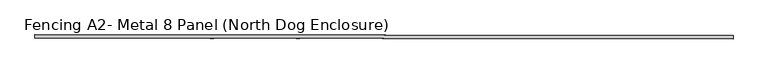
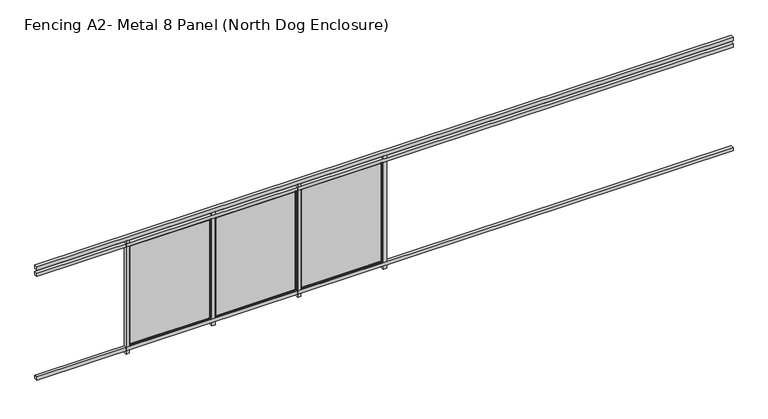
"""IFC4 building model written with IfcOpenShell, lengths in millimetres: railing geometry, Fencing A2- Metal 8 Panel (North Dog Enclosure)."""

from ifc_helpers import new_model, si_unit, frame, origin, place, context, project, spatial, polyline, ellipse_curve, outline, extrude, source, transform, mapped, element, save
from ifc_brep_helpers import plane_surface, cylinder_surface, advanced_brep


def fencing_a2_metal_8_panel_north_dog_enclosure_91e418e9(model_context):
    return source(origin(), model_context, "Body", "SolidModel", [
        extrude(outline(polyline([(18890.3978148, 2317.7393244), (18890.3375138, 2266.9393602), (8577.944779, 2279.1804809), (8578.0050801, 2329.9804451), (18890.3978148, 2317.7393244)])), frame((0.0, 0.0, 1016.0), z_axis=(0.0, 0.0, 1.0), x_axis=(1.0, 0.0, 0.0)), (0.0, 0.0, 1.0), 50.8),
        extrude(outline(polyline([(18890.3978148, 2317.7393244), (18890.3375138, 2266.9393602), (8577.944779, 2279.1804809), (8578.0050801, 2329.9804451), (18890.3978148, 2317.7393244)])), frame((0.0, 0.0, 914.4), z_axis=(0.0, 0.0, 1.0), x_axis=(1.0, 0.0, 0.0)), (0.0, 0.0, 1.0), 50.8),
        extrude(outline(polyline([(18890.3978148, 2317.7393244), (18890.3375138, 2266.9393602), (8577.944779, 2279.1804809), (8578.0050801, 2329.9804451), (18890.3978148, 2317.7393244)])), frame((0.0, 0.0, -711.2), z_axis=(0.0, 0.0, 1.0), x_axis=(1.0, 0.0, 0.0)), (0.0, 0.0, 1.0), 50.8),
        extrude(outline(polyline([(9949.6041138, 2328.3523157), (9949.5438127, 2277.5523515), (9898.7438485, 2277.6126526), (9898.8041496, 2328.4126168), (9949.6041138, 2328.3523157)])), frame((0.0, 0.0, -762.0), z_axis=(0.0, 0.0, 1.0), x_axis=(1.0, 0.0, 0.0)), (0.0, 0.0, 1.0), 1778.0),
        advanced_brep(
        [(11162.4438373, 2318.9751329, 908.05), (11165.6226039, 2322.1463618, 911.225), (11165.6226039, 2322.1463618, -657.225), (11162.4438373, 2318.9751329, -654.05), (9952.7734584, 2323.5860503, -657.225), (9955.9446873, 2320.4072837, -654.05), (9949.5984606, 2323.5898191, -660.4), (9949.5984606, 2323.5898191, 914.4), (11168.7976016, 2322.142593, 914.4), (11168.7976016, 2322.142593, -660.4), (9952.7734584, 2323.5860503, 911.225), (9955.9446873, 2320.4072837, 908.05), (11162.4325308, 2309.4501396, -654.05), (9955.9333808, 2310.8822904, -654.05), (11162.4325308, 2309.4501396, 908.05), (9955.9333808, 2310.8822904, 908.05), (11152.9075376, 2309.461446, -644.525), (11152.9075376, 2309.461446, 898.525), (9965.4583741, 2310.8709839, 898.525), (9965.4583741, 2310.8709839, -644.525), (11149.728771, 2306.2902171, 895.35), (11149.728771, 2306.2902171, -641.35), (9968.6296031, 2307.6922174, -641.35), (9968.6296031, 2307.6922174, 895.35), (11149.7250022, 2303.1152193, -641.35), (9968.6258343, 2304.5172196, -641.35), (11149.7250022, 2303.1152193, 895.35), (9968.6258343, 2304.5172196, 895.35), (11168.7749887, 2303.0926064, -660.4), (11168.7749887, 2303.0926064, 914.4), (9949.5758477, 2304.5398325, 914.4), (9949.5758477, 2304.5398325, -660.4)],
        [
            (0, 1, ellipse_curve(frame((11165.6188351, 2318.971364, 911.225), z_axis=(0.7071062830160321, -0.0008393564505200861, -0.7071067811865475), x_axis=(0.707106283016032, -0.000839356450520086, 0.7071067811865476)), 4.4901281, 3.175)),
            (1, 2),
            (2, 3, ellipse_curve(frame((11165.6188351, 2318.971364, -657.225), z_axis=(0.7071062830160321, -0.0008393564505200861, 0.7071067811865475), x_axis=(-0.707106283016032, 0.000839356450520086, 0.7071067811865476)), 4.4901281, 3.175)),
            (3, 0),
            (2, 4),
            (4, 5, ellipse_curve(frame((9952.7696895, 2320.4110525, -657.225), z_axis=(0.7071062830160321, -0.0008393564505200861, -0.7071067811865475), x_axis=(0.7071062830160322, -0.0008393564505200862, 0.7071067811865474)), 4.4901281, 3.175)),
            (5, 3),
            (6, 7),
            (7, 8),
            (8, 9),
            (9, 6),
            (1, 10),
            (10, 4),
            (10, 11, ellipse_curve(frame((9952.7696895, 2320.4110525, 911.225), z_axis=(-0.7071062830160321, 0.0008393564505200861, -0.7071067811865475), x_axis=(0.707106283016032, -0.000839356450520086, -0.7071067811865476)), 4.4901281, 3.175)),
            (11, 5),
            (12, 3),
            (5, 13),
            (13, 12),
            (14, 0),
            (12, 14),
            (11, 15),
            (15, 13),
            (15, 14),
            (16, 17),
            (17, 18),
            (18, 19),
            (19, 16),
            (20, 17, ellipse_curve(frame((11152.9037687, 2306.2864483, 898.525), z_axis=(0.7071062830160321, -0.0008393564505200861, -0.7071067811865475), x_axis=(0.707106283016032, -0.000839356450520086, 0.7071067811865476)), 4.4901281, 3.175)),
            (16, 21, ellipse_curve(frame((11152.9037687, 2306.2864483, -644.525), z_axis=(0.7071062830160321, -0.0008393564505200861, 0.7071067811865475), x_axis=(-0.707106283016032, 0.000839356450520086, 0.7071067811865476)), 4.4901281, 3.175)),
            (21, 20),
            (19, 22, ellipse_curve(frame((9965.4546053, 2307.6959862, -644.525), z_axis=(0.7071062830160321, -0.0008393564505200861, -0.7071067811865475), x_axis=(0.7071062830160322, -0.0008393564505200862, 0.7071067811865474)), 4.4901281, 3.175)),
            (22, 21),
            (18, 23, ellipse_curve(frame((9965.4546053, 2307.6959862, 898.525), z_axis=(-0.7071062830160321, 0.0008393564505200861, -0.7071067811865475), x_axis=(0.707106283016032, -0.000839356450520086, -0.7071067811865476)), 4.4901281, 3.175)),
            (23, 22),
            (24, 21),
            (22, 25),
            (25, 24),
            (26, 20),
            (24, 26),
            (23, 27),
            (27, 25),
            (28, 29),
            (29, 30),
            (30, 31),
            (31, 28),
            (27, 26),
            (8, 29),
            (28, 9),
            (31, 6),
            (30, 7),
            (0, 11),
            (20, 23),
        ],
        [
            cylinder_surface(frame((11165.6188351, 2318.971364, 914.4), z_axis=(0.0, 0.0, 1.0), x_axis=(0.9999992954805008, -0.0011870292759914025, 0.0)), 3.175),
            cylinder_surface(frame((11168.7938328, 2318.9675952, -657.225), z_axis=(0.9999992954805008, -0.0011870292759908474, 0.0), x_axis=(0.0, 0.0, -1.0)), 3.175),
            plane_surface(frame((11168.7976016, 2322.142593, 914.4), z_axis=(0.0011870292759914025, 0.9999992954805008, 0.0), x_axis=(0.0, 0.0, -1.0))),
            cylinder_surface(frame((9952.7696895, 2320.4110525, -660.4), z_axis=(0.0, 0.0, -1.0), x_axis=(-0.9999992954805008, 0.0011870292759902923, 0.0)), 3.175),
            plane_surface(frame((11162.4438373, 2318.9751329, -654.05), z_axis=(0.0, 0.0, 1.0), x_axis=(-0.9999992954805008, 0.0011870292759908522, 0.0))),
            plane_surface(frame((11162.4438373, 2318.9751329, 908.05), z_axis=(-0.9999992954805008, 0.0011870292759914025, 0.0), x_axis=(0.0, 0.0, -1.0))),
            plane_surface(frame((9955.9446873, 2320.4072837, -654.05), z_axis=(0.9999992954805008, -0.0011870292759902923, 0.0), x_axis=(0.0, 0.0, 1.0))),
            plane_surface(frame((11162.4325308, 2309.4501396, 908.05), z_axis=(0.0011870292759914025, 0.9999992954805008, 0.0), x_axis=(0.0, 0.0, -1.0))),
            cylinder_surface(frame((11152.9037687, 2306.2864483, 914.4), z_axis=(0.0, 0.0, 1.0), x_axis=(0.9999992954805008, -0.0011870292759914025, 0.0)), 3.175),
            cylinder_surface(frame((11168.7787575, 2306.2676042, -644.525), z_axis=(0.9999992954805008, -0.0011870292759908474, 0.0), x_axis=(0.0, 0.0, -1.0)), 3.175),
            cylinder_surface(frame((9965.4546053, 2307.6959862, -660.4), z_axis=(0.0, 0.0, -1.0), x_axis=(-0.9999992954805008, 0.0011870292759902923, 0.0)), 3.175),
            plane_surface(frame((11149.728771, 2306.2902171, -641.35), z_axis=(0.0, 0.0, 1.0), x_axis=(-0.9999992954805008, 0.0011870292759908546, 0.0))),
            plane_surface(frame((11149.728771, 2306.2902171, 895.35), z_axis=(-0.9999992954805008, 0.0011870292759914025, 0.0), x_axis=(0.0, 0.0, -1.0))),
            plane_surface(frame((9968.6296031, 2307.6922174, -641.35), z_axis=(0.9999992954805008, -0.0011870292759902923, 0.0), x_axis=(0.0, 0.0, 1.0))),
            plane_surface(frame((11149.7250022, 2303.1152193, 895.35), z_axis=(-0.0011870292759914025, -0.9999992954805008, 0.0), x_axis=(0.0, 0.0, -1.0))),
            plane_surface(frame((11168.7749887, 2303.0926064, 914.4), z_axis=(0.9999992954805008, -0.0011870292759914025, 0.0), x_axis=(0.0, 0.0, -1.0))),
            plane_surface(frame((11168.7749887, 2303.0926064, -660.4), z_axis=(0.0, 0.0, -1.0), x_axis=(-0.9999992954805008, 0.0011870292759908474, 0.0))),
            plane_surface(frame((9949.5758477, 2304.5398325, -660.4), z_axis=(-0.9999992954805008, 0.0011870292759902923, 0.0), x_axis=(0.0, 0.0, 1.0))),
            cylinder_surface(frame((9949.5946918, 2320.4148213, 911.225), z_axis=(-0.9999992954805008, 0.0011870292759908474, 0.0), x_axis=(0.0, 0.0, 1.0)), 3.175),
            plane_surface(frame((9955.9446873, 2320.4072837, 908.05), z_axis=(0.0, 0.0, -1.0), x_axis=(0.9999992954805008, -0.0011870292759908485, 0.0))),
            cylinder_surface(frame((9949.5796165, 2307.7148303, 898.525), z_axis=(-0.9999992954805008, 0.0011870292759908474, 0.0), x_axis=(0.0, 0.0, 1.0)), 3.175),
            plane_surface(frame((9968.6296031, 2307.6922174, 895.35), z_axis=(0.0, 0.0, -1.0), x_axis=(0.9999992954805008, -0.0011870292759908546, 0.0))),
            plane_surface(frame((9949.5758477, 2304.5398325, 914.4), z_axis=(0.0, 0.0, 1.0), x_axis=(0.9999992954805008, -0.0011870292759908474, 0.0))),
        ],
        [
            (0, [[1, 2, 3, 4]]),
            (1, [[-3, 5, 6, 7]]),
            (2, [[8, 9, 10, 11], [-2, 12, 13, -5]]),
            (3, [[-6, -13, 14, 15]]),
            (4, [[16, -7, 17, 18]]),
            (5, [[19, -4, -16, 20]]),
            (6, [[-17, -15, 21, 22]]),
            (7, [[-22, 23, -20, -18], [24, 25, 26, 27]]),
            (8, [[28, -24, 29, 30]]),
            (9, [[-29, -27, 31, 32]]),
            (10, [[-31, -26, 33, 34]]),
            (11, [[35, -32, 36, 37]]),
            (12, [[38, -30, -35, 39]]),
            (13, [[-36, -34, 40, 41]]),
            (14, [[42, 43, 44, 45], [-41, 46, -39, -37]]),
            (15, [[47, -42, 48, -10]]),
            (16, [[-48, -45, 49, -11]]),
            (17, [[-49, -44, 50, -8]]),
            (18, [[-14, -12, -1, 51]]),
            (19, [[-21, -51, -19, -23]]),
            (20, [[-33, -25, -28, 52]]),
            (21, [[-40, -52, -38, -46]]),
            (22, [[-50, -43, -47, -9]]),
        ],
    ),
        advanced_brep(
        [(11168.7712199, 2299.9176086, 914.4), (11168.748607, 2280.8676221, 914.4), (11168.748607, 2280.8676221, -660.4), (11168.7712199, 2299.9176086, -660.4), (9949.549466, 2282.3148482, -660.4), (9949.5720789, 2301.3648347, -660.4), (9949.549466, 2282.3148482, 914.4), (9952.7244637, 2282.3110793, -657.225), (9952.7244637, 2282.3110793, 911.225), (11165.5736092, 2280.8713909, 911.225), (11165.5736092, 2280.8713909, -657.225), (9949.5720789, 2301.3648347, 914.4), (11149.7212333, 2299.9402215, -641.35), (11149.7212333, 2299.9402215, 895.35), (9968.6220654, 2301.3422218, 895.35), (9968.6220654, 2301.3422218, -641.35), (11149.7174645, 2296.7652238, 895.35), (11149.7174645, 2296.7652238, -641.35), (9968.6182966, 2298.1672241, -641.35), (9968.6182966, 2298.1672241, 895.35), (11152.8886935, 2293.5864572, -644.525), (9965.43953, 2294.9959951, -644.525), (11152.8886935, 2293.5864572, 898.525), (9965.43953, 2294.9959951, 898.525), (11162.4136868, 2293.5751508, -654.05), (11162.4136868, 2293.5751508, 908.05), (9955.9145368, 2295.0073016, 908.05), (9955.9145368, 2295.0073016, -654.05), (11162.4023803, 2284.0501575, 908.05), (11162.4023803, 2284.0501575, -654.05), (9955.9032303, 2285.4823083, -654.05), (9955.9032303, 2285.4823083, 908.05)],
        [
            (0, 1),
            (1, 2),
            (2, 3),
            (3, 0),
            (2, 4),
            (4, 5),
            (5, 3),
            (1, 6),
            (6, 4),
            (7, 8),
            (8, 9),
            (9, 10),
            (10, 7),
            (6, 11),
            (11, 5),
            (11, 0),
            (12, 13),
            (13, 14),
            (14, 15),
            (15, 12),
            (16, 13),
            (12, 17),
            (17, 16),
            (15, 18),
            (18, 17),
            (14, 19),
            (19, 18),
            (20, 17, ellipse_curve(frame((11152.8924623, 2296.761455, -644.525), z_axis=(-0.7071062830160321, 0.0008393564505200861, -0.7071067811865475), x_axis=(0.7071062830160322, -0.0008393564505200862, -0.7071067811865474)), 4.4901281, 3.175)),
            (18, 21, ellipse_curve(frame((9965.4432989, 2298.1709929, -644.525), z_axis=(0.7071062830160321, -0.0008393564505200861, -0.7071067811865475), x_axis=(0.7071062830160322, -0.0008393564505200862, 0.7071067811865474)), 4.4901281, 3.175)),
            (21, 20),
            (22, 16, ellipse_curve(frame((11152.8924623, 2296.761455, 898.525), z_axis=(0.7071062830160321, -0.0008393564505200861, -0.7071067811865475), x_axis=(0.707106283016032, -0.000839356450520086, 0.7071067811865476)), 4.4901281, 3.175)),
            (20, 22),
            (19, 23, ellipse_curve(frame((9965.4432989, 2298.1709929, 898.525), z_axis=(-0.7071062830160321, 0.0008393564505200861, -0.7071067811865475), x_axis=(0.707106283016032, -0.000839356450520086, -0.7071067811865476)), 4.4901281, 3.175)),
            (23, 21),
            (24, 25),
            (25, 26),
            (26, 27),
            (27, 24),
            (23, 22),
            (28, 25),
            (24, 29),
            (29, 28),
            (27, 30),
            (30, 29),
            (26, 31),
            (31, 30),
            (10, 29, ellipse_curve(frame((11165.5773781, 2284.0463886, -657.225), z_axis=(-0.7071062830160321, 0.0008393564505200861, -0.7071067811865475), x_axis=(0.7071062830160322, -0.0008393564505200862, -0.7071067811865474)), 4.4901281, 3.175)),
            (30, 7, ellipse_curve(frame((9952.7282325, 2285.4860771, -657.225), z_axis=(0.7071062830160321, -0.0008393564505200861, -0.7071067811865475), x_axis=(0.7071062830160322, -0.0008393564505200862, 0.7071067811865474)), 4.4901281, 3.175)),
            (9, 28, ellipse_curve(frame((11165.5773781, 2284.0463886, 911.225), z_axis=(0.7071062830160321, -0.0008393564505200861, -0.7071067811865475), x_axis=(0.707106283016032, -0.000839356450520086, 0.7071067811865476)), 4.4901281, 3.175)),
            (31, 8, ellipse_curve(frame((9952.7282325, 2285.4860771, 911.225), z_axis=(-0.7071062830160321, 0.0008393564505200861, -0.7071067811865475), x_axis=(0.707106283016032, -0.000839356450520086, -0.7071067811865476)), 4.4901281, 3.175)),
            (16, 19),
            (28, 31),
        ],
        [
            plane_surface(frame((11168.748607, 2280.8676221, 914.4), z_axis=(0.9999992954805008, -0.0011870292759914025, 0.0), x_axis=(0.0, 0.0, -1.0))),
            plane_surface(frame((11168.748607, 2280.8676221, -660.4), z_axis=(0.0, 0.0, -1.0), x_axis=(-0.9999992954805008, 0.0011870292759908474, 0.0))),
            plane_surface(frame((11165.5736092, 2280.8713909, 911.225), z_axis=(-0.0011870292759914025, -0.9999992954805008, 0.0), x_axis=(0.0, 0.0, -1.0))),
            plane_surface(frame((9949.549466, 2282.3148482, -660.4), z_axis=(-0.9999992954805008, 0.0011870292759902923, 0.0), x_axis=(0.0, 0.0, 1.0))),
            plane_surface(frame((11168.7712199, 2299.9176086, 914.4), z_axis=(0.0011870292759914025, 0.9999992954805008, 0.0), x_axis=(0.0, 0.0, -1.0))),
            plane_surface(frame((11149.7212333, 2299.9402215, 895.35), z_axis=(-0.9999992954805008, 0.0011870292759914025, 0.0), x_axis=(0.0, 0.0, -1.0))),
            plane_surface(frame((11149.7212333, 2299.9402215, -641.35), z_axis=(0.0, 0.0, 1.0), x_axis=(-0.9999992954805008, 0.0011870292759908546, 0.0))),
            plane_surface(frame((9968.6220654, 2301.3422218, -641.35), z_axis=(0.9999992954805008, -0.0011870292759902923, 0.0), x_axis=(0.0, 0.0, 1.0))),
            cylinder_surface(frame((11168.7674511, 2296.7426109, -644.525), z_axis=(0.9999992954805008, -0.0011870292759908474, 0.0), x_axis=(0.0, 0.0, -1.0)), 3.175),
            cylinder_surface(frame((11152.8924623, 2296.761455, 914.4), z_axis=(0.0, 0.0, 1.0), x_axis=(0.9999992954805008, -0.0011870292759914025, 0.0)), 3.175),
            cylinder_surface(frame((9965.4432989, 2298.1709929, -660.4), z_axis=(0.0, 0.0, -1.0), x_axis=(-0.9999992954805008, 0.0011870292759902923, 0.0)), 3.175),
            plane_surface(frame((11152.8886935, 2293.5864572, 898.525), z_axis=(-0.0011870292759914025, -0.9999992954805008, 0.0), x_axis=(0.0, 0.0, -1.0))),
            plane_surface(frame((11162.4136868, 2293.5751508, 908.05), z_axis=(-0.9999992954805008, 0.0011870292759914025, 0.0), x_axis=(0.0, 0.0, -1.0))),
            plane_surface(frame((11162.4136868, 2293.5751508, -654.05), z_axis=(0.0, 0.0, 1.0), x_axis=(-0.9999992954805008, 0.0011870292759908485, 0.0))),
            plane_surface(frame((9955.9145368, 2295.0073016, -654.05), z_axis=(0.9999992954805008, -0.0011870292759902923, 0.0), x_axis=(0.0, 0.0, 1.0))),
            cylinder_surface(frame((11168.7523758, 2284.0426198, -657.225), z_axis=(0.9999992954805008, -0.0011870292759908474, 0.0), x_axis=(0.0, 0.0, -1.0)), 3.175),
            cylinder_surface(frame((11165.5773781, 2284.0463886, 914.4), z_axis=(0.0, 0.0, 1.0), x_axis=(0.9999992954805008, -0.0011870292759914025, 0.0)), 3.175),
            cylinder_surface(frame((9952.7282325, 2285.4860771, -660.4), z_axis=(0.0, 0.0, -1.0), x_axis=(-0.9999992954805008, 0.0011870292759902923, 0.0)), 3.175),
            plane_surface(frame((9949.549466, 2282.3148482, 914.4), z_axis=(0.0, 0.0, 1.0), x_axis=(0.9999992954805008, -0.0011870292759908474, 0.0))),
            plane_surface(frame((9968.6220654, 2301.3422218, 895.35), z_axis=(0.0, 0.0, -1.0), x_axis=(0.9999992954805008, -0.0011870292759908546, 0.0))),
            cylinder_surface(frame((9949.56831, 2298.189837, 898.525), z_axis=(-0.9999992954805008, 0.0011870292759908474, 0.0), x_axis=(0.0, 0.0, 1.0)), 3.175),
            plane_surface(frame((9955.9145368, 2295.0073016, 908.05), z_axis=(0.0, 0.0, -1.0), x_axis=(0.9999992954805008, -0.0011870292759908485, 0.0))),
            cylinder_surface(frame((9949.5532348, 2285.4898459, 911.225), z_axis=(-0.9999992954805008, 0.0011870292759908474, 0.0), x_axis=(0.0, 0.0, 1.0)), 3.175),
        ],
        [
            (0, [[1, 2, 3, 4]]),
            (1, [[-3, 5, 6, 7]]),
            (2, [[-2, 8, 9, -5], [10, 11, 12, 13]]),
            (3, [[-6, -9, 14, 15]]),
            (4, [[-15, 16, -4, -7], [17, 18, 19, 20]]),
            (5, [[21, -17, 22, 23]]),
            (6, [[-22, -20, 24, 25]]),
            (7, [[-24, -19, 26, 27]]),
            (8, [[28, -25, 29, 30]]),
            (9, [[31, -23, -28, 32]]),
            (10, [[-29, -27, 33, 34]]),
            (11, [[35, 36, 37, 38], [-34, 39, -32, -30]]),
            (12, [[40, -35, 41, 42]]),
            (13, [[-41, -38, 43, 44]]),
            (14, [[-43, -37, 45, 46]]),
            (15, [[47, -44, 48, -13]]),
            (16, [[49, -42, -47, -12]]),
            (17, [[-48, -46, 50, -10]]),
            (18, [[-14, -8, -1, -16]]),
            (19, [[-26, -18, -21, 51]]),
            (20, [[-33, -51, -31, -39]]),
            (21, [[-45, -36, -40, 52]]),
            (22, [[-50, -52, -49, -11]]),
        ],
    ),
        extrude(outline(polyline([(11168.7712199, 2299.9176086), (9949.5720789, 2301.3648347), (9949.5758477, 2304.5398325), (11168.7749887, 2303.0926064), (11168.7712199, 2299.9176086)])), frame((0.0, 0.0, -660.4), z_axis=(0.0, 0.0, 1.0), x_axis=(1.0, 0.0, 0.0)), (0.0, 0.0, 1.0), 1574.8),
        extrude(outline(polyline([(11219.6032191, 2326.8447885), (11219.542918, 2276.0448243), (11168.7429538, 2276.1051254), (11168.8032549, 2326.9050896), (11219.6032191, 2326.8447885)])), frame((0.0, 0.0, -762.0), z_axis=(0.0, 0.0, 1.0), x_axis=(1.0, 0.0, 0.0)), (0.0, 0.0, 1.0), 1778.0),
        advanced_brep(
        [(12432.4429426, 2317.4676057, 908.05), (12435.6217091, 2320.6388346, 911.225), (12435.6217091, 2320.6388346, -657.225), (12432.4429426, 2317.4676057, -654.05), (11222.7725636, 2322.0785231, -657.225), (11225.9437926, 2318.8997565, -654.05), (11219.5975658, 2322.0822919, -660.4), (11219.5975658, 2322.0822919, 914.4), (12438.7967069, 2320.6350658, 914.4), (12438.7967069, 2320.6350658, -660.4), (11222.7725636, 2322.0785231, 911.225), (11225.9437926, 2318.8997565, 908.05), (12432.4316361, 2307.9426124, -654.05), (11225.9324861, 2309.3747632, -654.05), (12432.4316361, 2307.9426124, 908.05), (11225.9324861, 2309.3747632, 908.05), (12422.9066428, 2307.9539188, -644.525), (12422.9066428, 2307.9539188, 898.525), (11235.4574794, 2309.3634568, 898.525), (11235.4574794, 2309.3634568, -644.525), (12419.7278762, 2304.7826899, 895.35), (12419.7278762, 2304.7826899, -641.35), (11238.6287083, 2306.1846902, -641.35), (11238.6287083, 2306.1846902, 895.35), (12419.7241074, 2301.6076921, -641.35), (11238.6249395, 2303.0096924, -641.35), (12419.7241074, 2301.6076921, 895.35), (11238.6249395, 2303.0096924, 895.35), (12438.774094, 2301.5850792, -660.4), (12438.774094, 2301.5850792, 914.4), (11219.5749529, 2303.0323053, 914.4), (11219.5749529, 2303.0323053, -660.4)],
        [
            (0, 1, ellipse_curve(frame((12435.6179403, 2317.4638369, 911.225), z_axis=(0.7071062830160321, -0.0008393564505200861, -0.7071067811865475), x_axis=(0.707106283016032, -0.000839356450520086, 0.7071067811865476)), 4.4901281, 3.175)),
            (1, 2),
            (2, 3, ellipse_curve(frame((12435.6179403, 2317.4638369, -657.225), z_axis=(0.7071062830160321, -0.0008393564505200861, 0.7071067811865475), x_axis=(-0.707106283016032, 0.000839356450520086, 0.7071067811865476)), 4.4901281, 3.175)),
            (3, 0),
            (2, 4),
            (4, 5, ellipse_curve(frame((11222.7687948, 2318.9035253, -657.225), z_axis=(0.7071062830160321, -0.0008393564505200861, -0.7071067811865475), x_axis=(0.7071062830160322, -0.0008393564505200862, 0.7071067811865474)), 4.4901281, 3.175)),
            (5, 3),
            (6, 7),
            (7, 8),
            (8, 9),
            (9, 6),
            (1, 10),
            (10, 4),
            (10, 11, ellipse_curve(frame((11222.7687948, 2318.9035253, 911.225), z_axis=(-0.7071062830160321, 0.0008393564505200861, -0.7071067811865475), x_axis=(0.707106283016032, -0.000839356450520086, -0.7071067811865476)), 4.4901281, 3.175)),
            (11, 5),
            (12, 3),
            (5, 13),
            (13, 12),
            (14, 0),
            (12, 14),
            (11, 15),
            (15, 13),
            (15, 14),
            (16, 17),
            (17, 18),
            (18, 19),
            (19, 16),
            (20, 17, ellipse_curve(frame((12422.902874, 2304.7789211, 898.525), z_axis=(0.7071062830160321, -0.0008393564505200861, -0.7071067811865475), x_axis=(0.707106283016032, -0.000839356450520086, 0.7071067811865476)), 4.4901281, 3.175)),
            (16, 21, ellipse_curve(frame((12422.902874, 2304.7789211, -644.525), z_axis=(0.7071062830160321, -0.0008393564505200861, 0.7071067811865475), x_axis=(-0.707106283016032, 0.000839356450520086, 0.7071067811865476)), 4.4901281, 3.175)),
            (21, 20),
            (19, 22, ellipse_curve(frame((11235.4537106, 2306.188459, -644.525), z_axis=(0.7071062830160321, -0.0008393564505200861, -0.7071067811865475), x_axis=(0.7071062830160322, -0.0008393564505200862, 0.7071067811865474)), 4.4901281, 3.175)),
            (22, 21),
            (18, 23, ellipse_curve(frame((11235.4537106, 2306.188459, 898.525), z_axis=(-0.7071062830160321, 0.0008393564505200861, -0.7071067811865475), x_axis=(0.707106283016032, -0.000839356450520086, -0.7071067811865476)), 4.4901281, 3.175)),
            (23, 22),
            (24, 21),
            (22, 25),
            (25, 24),
            (26, 20),
            (24, 26),
            (23, 27),
            (27, 25),
            (28, 29),
            (29, 30),
            (30, 31),
            (31, 28),
            (27, 26),
            (8, 29),
            (28, 9),
            (31, 6),
            (30, 7),
            (0, 11),
            (20, 23),
        ],
        [
            cylinder_surface(frame((12435.6179403, 2317.4638369, 914.4), z_axis=(0.0, 0.0, 1.0), x_axis=(0.9999992954805008, -0.0011870292759914025, 0.0)), 3.175),
            cylinder_surface(frame((12438.7929381, 2317.460068, -657.225), z_axis=(0.9999992954805008, -0.0011870292759908474, 0.0), x_axis=(0.0, 0.0, -1.0)), 3.175),
            plane_surface(frame((12438.7967069, 2320.6350658, 914.4), z_axis=(0.0011870292759914025, 0.9999992954805008, 0.0), x_axis=(0.0, 0.0, -1.0))),
            cylinder_surface(frame((11222.7687948, 2318.9035253, -660.4), z_axis=(0.0, 0.0, -1.0), x_axis=(-0.9999992954805008, 0.0011870292759902923, 0.0)), 3.175),
            plane_surface(frame((12432.4429426, 2317.4676057, -654.05), z_axis=(0.0, 0.0, 1.0), x_axis=(-0.9999992954805008, 0.0011870292759908522, 0.0))),
            plane_surface(frame((12432.4429426, 2317.4676057, 908.05), z_axis=(-0.9999992954805008, 0.0011870292759914025, 0.0), x_axis=(0.0, 0.0, -1.0))),
            plane_surface(frame((11225.9437926, 2318.8997565, -654.05), z_axis=(0.9999992954805008, -0.0011870292759902923, 0.0), x_axis=(0.0, 0.0, 1.0))),
            plane_surface(frame((12432.4316361, 2307.9426124, 908.05), z_axis=(0.0011870292759914025, 0.9999992954805008, 0.0), x_axis=(0.0, 0.0, -1.0))),
            cylinder_surface(frame((12422.902874, 2304.7789211, 914.4), z_axis=(0.0, 0.0, 1.0), x_axis=(0.9999992954805008, -0.0011870292759914025, 0.0)), 3.175),
            cylinder_surface(frame((12438.7778628, 2304.760077, -644.525), z_axis=(0.9999992954805008, -0.0011870292759908474, 0.0), x_axis=(0.0, 0.0, -1.0)), 3.175),
            cylinder_surface(frame((11235.4537106, 2306.188459, -660.4), z_axis=(0.0, 0.0, -1.0), x_axis=(-0.9999992954805008, 0.0011870292759902923, 0.0)), 3.175),
            plane_surface(frame((12419.7278762, 2304.7826899, -641.35), z_axis=(0.0, 0.0, 1.0), x_axis=(-0.9999992954805008, 0.0011870292759908546, 0.0))),
            plane_surface(frame((12419.7278762, 2304.7826899, 895.35), z_axis=(-0.9999992954805008, 0.0011870292759914025, 0.0), x_axis=(0.0, 0.0, -1.0))),
            plane_surface(frame((11238.6287083, 2306.1846902, -641.35), z_axis=(0.9999992954805008, -0.0011870292759902923, 0.0), x_axis=(0.0, 0.0, 1.0))),
            plane_surface(frame((12419.7241074, 2301.6076921, 895.35), z_axis=(-0.0011870292759914025, -0.9999992954805008, 0.0), x_axis=(0.0, 0.0, -1.0))),
            plane_surface(frame((12438.774094, 2301.5850792, 914.4), z_axis=(0.9999992954805008, -0.0011870292759914025, 0.0), x_axis=(0.0, 0.0, -1.0))),
            plane_surface(frame((12438.774094, 2301.5850792, -660.4), z_axis=(0.0, 0.0, -1.0), x_axis=(-0.9999992954805008, 0.0011870292759908474, 0.0))),
            plane_surface(frame((11219.5749529, 2303.0323053, -660.4), z_axis=(-0.9999992954805008, 0.0011870292759902923, 0.0), x_axis=(0.0, 0.0, 1.0))),
            cylinder_surface(frame((11219.593797, 2318.9072941, 911.225), z_axis=(-0.9999992954805008, 0.0011870292759908474, 0.0), x_axis=(0.0, 0.0, 1.0)), 3.175),
            plane_surface(frame((11225.9437926, 2318.8997565, 908.05), z_axis=(0.0, 0.0, -1.0), x_axis=(0.9999992954805008, -0.0011870292759908485, 0.0))),
            cylinder_surface(frame((11219.5787218, 2306.2073031, 898.525), z_axis=(-0.9999992954805008, 0.0011870292759908474, 0.0), x_axis=(0.0, 0.0, 1.0)), 3.175),
            plane_surface(frame((11238.6287083, 2306.1846902, 895.35), z_axis=(0.0, 0.0, -1.0), x_axis=(0.9999992954805008, -0.0011870292759908546, 0.0))),
            plane_surface(frame((11219.5749529, 2303.0323053, 914.4), z_axis=(0.0, 0.0, 1.0), x_axis=(0.9999992954805008, -0.0011870292759908474, 0.0))),
        ],
        [
            (0, [[1, 2, 3, 4]]),
            (1, [[-3, 5, 6, 7]]),
            (2, [[8, 9, 10, 11], [-2, 12, 13, -5]]),
            (3, [[-6, -13, 14, 15]]),
            (4, [[16, -7, 17, 18]]),
            (5, [[19, -4, -16, 20]]),
            (6, [[-17, -15, 21, 22]]),
            (7, [[-22, 23, -20, -18], [24, 25, 26, 27]]),
            (8, [[28, -24, 29, 30]]),
            (9, [[-29, -27, 31, 32]]),
            (10, [[-31, -26, 33, 34]]),
            (11, [[35, -32, 36, 37]]),
            (12, [[38, -30, -35, 39]]),
            (13, [[-36, -34, 40, 41]]),
            (14, [[42, 43, 44, 45], [-41, 46, -39, -37]]),
            (15, [[47, -42, 48, -10]]),
            (16, [[-48, -45, 49, -11]]),
            (17, [[-49, -44, 50, -8]]),
            (18, [[-14, -12, -1, 51]]),
            (19, [[-21, -51, -19, -23]]),
            (20, [[-33, -25, -28, 52]]),
            (21, [[-40, -52, -38, -46]]),
            (22, [[-50, -43, -47, -9]]),
        ],
    ),
        advanced_brep(
        [(12438.7703252, 2298.4100815, 914.4), (12438.7477123, 2279.3600949, 914.4), (12438.7477123, 2279.3600949, -660.4), (12438.7703252, 2298.4100815, -660.4), (11219.5485712, 2280.807321, -660.4), (11219.5711841, 2299.8573076, -660.4), (11219.5485712, 2280.807321, 914.4), (11222.723569, 2280.8035522, -657.225), (11222.723569, 2280.8035522, 911.225), (12435.5727145, 2279.3638637, 911.225), (12435.5727145, 2279.3638637, -657.225), (11219.5711841, 2299.8573076, 914.4), (12419.7203386, 2298.4326944, -641.35), (12419.7203386, 2298.4326944, 895.35), (11238.6211707, 2299.8346946, 895.35), (11238.6211707, 2299.8346946, -641.35), (12419.7165698, 2295.2576966, 895.35), (12419.7165698, 2295.2576966, -641.35), (11238.6174019, 2296.6596969, -641.35), (11238.6174019, 2296.6596969, 895.35), (12422.8877987, 2292.07893, -644.525), (11235.4386353, 2293.4884679, -644.525), (12422.8877987, 2292.07893, 898.525), (11235.4386353, 2293.4884679, 898.525), (12432.412792, 2292.0676236, -654.05), (12432.412792, 2292.0676236, 908.05), (11225.913642, 2293.4997744, 908.05), (11225.913642, 2293.4997744, -654.05), (12432.4014856, 2282.5426303, 908.05), (12432.4014856, 2282.5426303, -654.05), (11225.9023356, 2283.9747811, -654.05), (11225.9023356, 2283.9747811, 908.05)],
        [
            (0, 1),
            (1, 2),
            (2, 3),
            (3, 0),
            (2, 4),
            (4, 5),
            (5, 3),
            (1, 6),
            (6, 4),
            (7, 8),
            (8, 9),
            (9, 10),
            (10, 7),
            (6, 11),
            (11, 5),
            (11, 0),
            (12, 13),
            (13, 14),
            (14, 15),
            (15, 12),
            (16, 13),
            (12, 17),
            (17, 16),
            (15, 18),
            (18, 17),
            (14, 19),
            (19, 18),
            (20, 17, ellipse_curve(frame((12422.8915675, 2295.2539278, -644.525), z_axis=(-0.7071062830160321, 0.0008393564505200861, -0.7071067811865475), x_axis=(0.7071062830160322, -0.0008393564505200862, -0.7071067811865474)), 4.4901281, 3.175)),
            (18, 21, ellipse_curve(frame((11235.4424041, 2296.6634657, -644.525), z_axis=(0.7071062830160321, -0.0008393564505200861, -0.7071067811865475), x_axis=(0.7071062830160322, -0.0008393564505200862, 0.7071067811865474)), 4.4901281, 3.175)),
            (21, 20),
            (22, 16, ellipse_curve(frame((12422.8915675, 2295.2539278, 898.525), z_axis=(0.7071062830160321, -0.0008393564505200861, -0.7071067811865475), x_axis=(0.707106283016032, -0.000839356450520086, 0.7071067811865476)), 4.4901281, 3.175)),
            (20, 22),
            (19, 23, ellipse_curve(frame((11235.4424041, 2296.6634657, 898.525), z_axis=(-0.7071062830160321, 0.0008393564505200861, -0.7071067811865475), x_axis=(0.707106283016032, -0.000839356450520086, -0.7071067811865476)), 4.4901281, 3.175)),
            (23, 21),
            (24, 25),
            (25, 26),
            (26, 27),
            (27, 24),
            (23, 22),
            (28, 25),
            (24, 29),
            (29, 28),
            (27, 30),
            (30, 29),
            (26, 31),
            (31, 30),
            (10, 29, ellipse_curve(frame((12435.5764833, 2282.5388615, -657.225), z_axis=(-0.7071062830160321, 0.0008393564505200861, -0.7071067811865475), x_axis=(0.7071062830160322, -0.0008393564505200862, -0.7071067811865474)), 4.4901281, 3.175)),
            (30, 7, ellipse_curve(frame((11222.7273378, 2283.9785499, -657.225), z_axis=(0.7071062830160321, -0.0008393564505200861, -0.7071067811865475), x_axis=(0.7071062830160322, -0.0008393564505200862, 0.7071067811865474)), 4.4901281, 3.175)),
            (9, 28, ellipse_curve(frame((12435.5764833, 2282.5388615, 911.225), z_axis=(0.7071062830160321, -0.0008393564505200861, -0.7071067811865475), x_axis=(0.707106283016032, -0.000839356450520086, 0.7071067811865476)), 4.4901281, 3.175)),
            (31, 8, ellipse_curve(frame((11222.7273378, 2283.9785499, 911.225), z_axis=(-0.7071062830160321, 0.0008393564505200861, -0.7071067811865475), x_axis=(0.707106283016032, -0.000839356450520086, -0.7071067811865476)), 4.4901281, 3.175)),
            (16, 19),
            (28, 31),
        ],
        [
            plane_surface(frame((12438.7477123, 2279.3600949, 914.4), z_axis=(0.9999992954805008, -0.0011870292759914025, 0.0), x_axis=(0.0, 0.0, -1.0))),
            plane_surface(frame((12438.7477123, 2279.3600949, -660.4), z_axis=(0.0, 0.0, -1.0), x_axis=(-0.9999992954805008, 0.0011870292759908474, 0.0))),
            plane_surface(frame((12435.5727145, 2279.3638637, 911.225), z_axis=(-0.0011870292759914025, -0.9999992954805008, 0.0), x_axis=(0.0, 0.0, -1.0))),
            plane_surface(frame((11219.5485712, 2280.807321, -660.4), z_axis=(-0.9999992954805008, 0.0011870292759902923, 0.0), x_axis=(0.0, 0.0, 1.0))),
            plane_surface(frame((12438.7703252, 2298.4100815, 914.4), z_axis=(0.0011870292759914025, 0.9999992954805008, 0.0), x_axis=(0.0, 0.0, -1.0))),
            plane_surface(frame((12419.7203386, 2298.4326944, 895.35), z_axis=(-0.9999992954805008, 0.0011870292759914025, 0.0), x_axis=(0.0, 0.0, -1.0))),
            plane_surface(frame((12419.7203386, 2298.4326944, -641.35), z_axis=(0.0, 0.0, 1.0), x_axis=(-0.9999992954805008, 0.0011870292759908546, 0.0))),
            plane_surface(frame((11238.6211707, 2299.8346946, -641.35), z_axis=(0.9999992954805008, -0.0011870292759902923, 0.0), x_axis=(0.0, 0.0, 1.0))),
            cylinder_surface(frame((12438.7665564, 2295.2350837, -644.525), z_axis=(0.9999992954805008, -0.0011870292759908474, 0.0), x_axis=(0.0, 0.0, -1.0)), 3.175),
            cylinder_surface(frame((12422.8915675, 2295.2539278, 914.4), z_axis=(0.0, 0.0, 1.0), x_axis=(0.9999992954805008, -0.0011870292759914025, 0.0)), 3.175),
            cylinder_surface(frame((11235.4424041, 2296.6634657, -660.4), z_axis=(0.0, 0.0, -1.0), x_axis=(-0.9999992954805008, 0.0011870292759902923, 0.0)), 3.175),
            plane_surface(frame((12422.8877987, 2292.07893, 898.525), z_axis=(-0.0011870292759914025, -0.9999992954805008, 0.0), x_axis=(0.0, 0.0, -1.0))),
            plane_surface(frame((12432.412792, 2292.0676236, 908.05), z_axis=(-0.9999992954805008, 0.0011870292759914025, 0.0), x_axis=(0.0, 0.0, -1.0))),
            plane_surface(frame((12432.412792, 2292.0676236, -654.05), z_axis=(0.0, 0.0, 1.0), x_axis=(-0.9999992954805008, 0.0011870292759908485, 0.0))),
            plane_surface(frame((11225.913642, 2293.4997744, -654.05), z_axis=(0.9999992954805008, -0.0011870292759902923, 0.0), x_axis=(0.0, 0.0, 1.0))),
            cylinder_surface(frame((12438.7514811, 2282.5350926, -657.225), z_axis=(0.9999992954805008, -0.0011870292759908474, 0.0), x_axis=(0.0, 0.0, -1.0)), 3.175),
            cylinder_surface(frame((12435.5764833, 2282.5388615, 914.4), z_axis=(0.0, 0.0, 1.0), x_axis=(0.9999992954805008, -0.0011870292759914025, 0.0)), 3.175),
            cylinder_surface(frame((11222.7273378, 2283.9785499, -660.4), z_axis=(0.0, 0.0, -1.0), x_axis=(-0.9999992954805008, 0.0011870292759902923, 0.0)), 3.175),
            plane_surface(frame((11219.5485712, 2280.807321, 914.4), z_axis=(0.0, 0.0, 1.0), x_axis=(0.9999992954805008, -0.0011870292759908474, 0.0))),
            plane_surface(frame((11238.6211707, 2299.8346946, 895.35), z_axis=(0.0, 0.0, -1.0), x_axis=(0.9999992954805008, -0.0011870292759908546, 0.0))),
            cylinder_surface(frame((11219.5674153, 2296.6823098, 898.525), z_axis=(-0.9999992954805008, 0.0011870292759908474, 0.0), x_axis=(0.0, 0.0, 1.0)), 3.175),
            plane_surface(frame((11225.913642, 2293.4997744, 908.05), z_axis=(0.0, 0.0, -1.0), x_axis=(0.9999992954805008, -0.0011870292759908485, 0.0))),
            cylinder_surface(frame((11219.55234, 2283.9823187, 911.225), z_axis=(-0.9999992954805008, 0.0011870292759908474, 0.0), x_axis=(0.0, 0.0, 1.0)), 3.175),
        ],
        [
            (0, [[1, 2, 3, 4]]),
            (1, [[-3, 5, 6, 7]]),
            (2, [[-2, 8, 9, -5], [10, 11, 12, 13]]),
            (3, [[-6, -9, 14, 15]]),
            (4, [[-15, 16, -4, -7], [17, 18, 19, 20]]),
            (5, [[21, -17, 22, 23]]),
            (6, [[-22, -20, 24, 25]]),
            (7, [[-24, -19, 26, 27]]),
            (8, [[28, -25, 29, 30]]),
            (9, [[31, -23, -28, 32]]),
            (10, [[-29, -27, 33, 34]]),
            (11, [[35, 36, 37, 38], [-34, 39, -32, -30]]),
            (12, [[40, -35, 41, 42]]),
            (13, [[-41, -38, 43, 44]]),
            (14, [[-43, -37, 45, 46]]),
            (15, [[47, -44, 48, -13]]),
            (16, [[49, -42, -47, -12]]),
            (17, [[-48, -46, 50, -10]]),
            (18, [[-14, -8, -1, -16]]),
            (19, [[-26, -18, -21, 51]]),
            (20, [[-33, -51, -31, -39]]),
            (21, [[-45, -36, -40, 52]]),
            (22, [[-50, -52, -49, -11]]),
        ],
    ),
        extrude(outline(polyline([(12438.7703252, 2298.4100815), (11219.5711841, 2299.8573076), (11219.5749529, 2303.0323053), (12438.774094, 2301.5850792), (12438.7703252, 2298.4100815)])), frame((0.0, 0.0, -660.4), z_axis=(0.0, 0.0, 1.0), x_axis=(1.0, 0.0, 0.0)), (0.0, 0.0, 1.0), 1574.8),
        extrude(outline(polyline([(12489.6023243, 2325.3372614), (12489.5420232, 2274.5372972), (12438.742059, 2274.5975982), (12438.8023601, 2325.3975624), (12489.6023243, 2325.3372614)])), frame((0.0, 0.0, -762.0), z_axis=(0.0, 0.0, 1.0), x_axis=(1.0, 0.0, 0.0)), (0.0, 0.0, 1.0), 1778.0),
        advanced_brep(
        [(13702.4420478, 2315.9600785, 908.05), (13705.6208144, 2319.1313074, 911.225), (13705.6208144, 2319.1313074, -657.225), (13702.4420478, 2315.9600785, -654.05), (12492.7716689, 2320.5709959, -657.225), (12495.9428978, 2317.3922293, -654.05), (12489.5966711, 2320.5747647, -660.4), (12489.5966711, 2320.5747647, 914.4), (13708.7958122, 2319.1275386, 914.4), (13708.7958122, 2319.1275386, -660.4), (12492.7716689, 2320.5709959, 911.225), (12495.9428978, 2317.3922293, 908.05), (13702.4307414, 2306.4350852, -654.05), (12495.9315914, 2307.867236, -654.05), (13702.4307414, 2306.4350852, 908.05), (12495.9315914, 2307.867236, 908.05), (13692.9057481, 2306.4463917, -644.525), (13692.9057481, 2306.4463917, 898.525), (12505.4565847, 2307.8559296, 898.525), (12505.4565847, 2307.8559296, -644.525), (13689.7269815, 2303.2751627, 895.35), (13689.7269815, 2303.2751627, -641.35), (12508.6278136, 2304.677163, -641.35), (12508.6278136, 2304.677163, 895.35), (13689.7232127, 2300.100165, -641.35), (12508.6240448, 2301.5021652, -641.35), (13689.7232127, 2300.100165, 895.35), (12508.6240448, 2301.5021652, 895.35), (13708.7731993, 2300.077552, -660.4), (13708.7731993, 2300.077552, 914.4), (12489.5740582, 2301.5247781, 914.4), (12489.5740582, 2301.5247781, -660.4)],
        [
            (0, 1, ellipse_curve(frame((13705.6170456, 2315.9563097, 911.225), z_axis=(0.7071062830160321, -0.0008393564505200861, -0.7071067811865475), x_axis=(0.707106283016032, -0.000839356450520086, 0.7071067811865476)), 4.4901281, 3.175)),
            (1, 2),
            (2, 3, ellipse_curve(frame((13705.6170456, 2315.9563097, -657.225), z_axis=(0.7071062830160321, -0.0008393564505200861, 0.7071067811865475), x_axis=(-0.707106283016032, 0.000839356450520086, 0.7071067811865476)), 4.4901281, 3.175)),
            (3, 0),
            (2, 4),
            (4, 5, ellipse_curve(frame((12492.7679001, 2317.3959981, -657.225), z_axis=(0.7071062830160321, -0.0008393564505200861, -0.7071067811865475), x_axis=(0.7071062830160322, -0.0008393564505200862, 0.7071067811865474)), 4.4901281, 3.175)),
            (5, 3),
            (6, 7),
            (7, 8),
            (8, 9),
            (9, 6),
            (1, 10),
            (10, 4),
            (10, 11, ellipse_curve(frame((12492.7679001, 2317.3959981, 911.225), z_axis=(-0.7071062830160321, 0.0008393564505200861, -0.7071067811865475), x_axis=(0.707106283016032, -0.000839356450520086, -0.7071067811865476)), 4.4901281, 3.175)),
            (11, 5),
            (12, 3),
            (5, 13),
            (13, 12),
            (14, 0),
            (12, 14),
            (11, 15),
            (15, 13),
            (15, 14),
            (16, 17),
            (17, 18),
            (18, 19),
            (19, 16),
            (20, 17, ellipse_curve(frame((13692.9019793, 2303.2713939, 898.525), z_axis=(0.7071062830160321, -0.0008393564505200861, -0.7071067811865475), x_axis=(0.707106283016032, -0.000839356450520086, 0.7071067811865476)), 4.4901281, 3.175)),
            (16, 21, ellipse_curve(frame((13692.9019793, 2303.2713939, -644.525), z_axis=(0.7071062830160321, -0.0008393564505200861, 0.7071067811865475), x_axis=(-0.707106283016032, 0.000839356450520086, 0.7071067811865476)), 4.4901281, 3.175)),
            (21, 20),
            (19, 22, ellipse_curve(frame((12505.4528158, 2304.6809318, -644.525), z_axis=(0.7071062830160321, -0.0008393564505200861, -0.7071067811865475), x_axis=(0.7071062830160322, -0.0008393564505200862, 0.7071067811865474)), 4.4901281, 3.175)),
            (22, 21),
            (18, 23, ellipse_curve(frame((12505.4528158, 2304.6809318, 898.525), z_axis=(-0.7071062830160321, 0.0008393564505200861, -0.7071067811865475), x_axis=(0.707106283016032, -0.000839356450520086, -0.7071067811865476)), 4.4901281, 3.175)),
            (23, 22),
            (24, 21),
            (22, 25),
            (25, 24),
            (26, 20),
            (24, 26),
            (23, 27),
            (27, 25),
            (28, 29),
            (29, 30),
            (30, 31),
            (31, 28),
            (27, 26),
            (8, 29),
            (28, 9),
            (31, 6),
            (30, 7),
            (0, 11),
            (20, 23),
        ],
        [
            cylinder_surface(frame((13705.6170456, 2315.9563097, 914.4), z_axis=(0.0, 0.0, 1.0), x_axis=(0.9999992954805008, -0.0011870292759914025, 0.0)), 3.175),
            cylinder_surface(frame((13708.7920433, 2315.9525409, -657.225), z_axis=(0.9999992954805008, -0.0011870292759908474, 0.0), x_axis=(0.0, 0.0, -1.0)), 3.175),
            plane_surface(frame((13708.7958122, 2319.1275386, 914.4), z_axis=(0.0011870292759914025, 0.9999992954805008, 0.0), x_axis=(0.0, 0.0, -1.0))),
            cylinder_surface(frame((12492.7679001, 2317.3959981, -660.4), z_axis=(0.0, 0.0, -1.0), x_axis=(-0.9999992954805008, 0.0011870292759902923, 0.0)), 3.175),
            plane_surface(frame((13702.4420478, 2315.9600785, -654.05), z_axis=(0.0, 0.0, 1.0), x_axis=(-0.9999992954805008, 0.0011870292759908522, 0.0))),
            plane_surface(frame((13702.4420478, 2315.9600785, 908.05), z_axis=(-0.9999992954805008, 0.0011870292759914025, 0.0), x_axis=(0.0, 0.0, -1.0))),
            plane_surface(frame((12495.9428978, 2317.3922293, -654.05), z_axis=(0.9999992954805008, -0.0011870292759902923, 0.0), x_axis=(0.0, 0.0, 1.0))),
            plane_surface(frame((13702.4307414, 2306.4350852, 908.05), z_axis=(0.0011870292759914025, 0.9999992954805008, 0.0), x_axis=(0.0, 0.0, -1.0))),
            cylinder_surface(frame((13692.9019793, 2303.2713939, 914.4), z_axis=(0.0, 0.0, 1.0), x_axis=(0.9999992954805008, -0.0011870292759914025, 0.0)), 3.175),
            cylinder_surface(frame((13708.7769681, 2303.2525498, -644.525), z_axis=(0.9999992954805008, -0.0011870292759908474, 0.0), x_axis=(0.0, 0.0, -1.0)), 3.175),
            cylinder_surface(frame((12505.4528158, 2304.6809318, -660.4), z_axis=(0.0, 0.0, -1.0), x_axis=(-0.9999992954805008, 0.0011870292759902923, 0.0)), 3.175),
            plane_surface(frame((13689.7269815, 2303.2751627, -641.35), z_axis=(0.0, 0.0, 1.0), x_axis=(-0.9999992954805008, 0.0011870292759908546, 0.0))),
            plane_surface(frame((13689.7269815, 2303.2751627, 895.35), z_axis=(-0.9999992954805008, 0.0011870292759914025, 0.0), x_axis=(0.0, 0.0, -1.0))),
            plane_surface(frame((12508.6278136, 2304.677163, -641.35), z_axis=(0.9999992954805008, -0.0011870292759902923, 0.0), x_axis=(0.0, 0.0, 1.0))),
            plane_surface(frame((13689.7232127, 2300.100165, 895.35), z_axis=(-0.0011870292759914025, -0.9999992954805008, 0.0), x_axis=(0.0, 0.0, -1.0))),
            plane_surface(frame((13708.7731993, 2300.077552, 914.4), z_axis=(0.9999992954805008, -0.0011870292759914025, 0.0), x_axis=(0.0, 0.0, -1.0))),
            plane_surface(frame((13708.7731993, 2300.077552, -660.4), z_axis=(0.0, 0.0, -1.0), x_axis=(-0.9999992954805008, 0.0011870292759908474, 0.0))),
            plane_surface(frame((12489.5740582, 2301.5247781, -660.4), z_axis=(-0.9999992954805008, 0.0011870292759902923, 0.0), x_axis=(0.0, 0.0, 1.0))),
            cylinder_surface(frame((12489.5929023, 2317.399767, 911.225), z_axis=(-0.9999992954805008, 0.0011870292759908474, 0.0), x_axis=(0.0, 0.0, 1.0)), 3.175),
            plane_surface(frame((12495.9428978, 2317.3922293, 908.05), z_axis=(0.0, 0.0, -1.0), x_axis=(0.9999992954805008, -0.0011870292759908485, 0.0))),
            cylinder_surface(frame((12489.577827, 2304.6997759, 898.525), z_axis=(-0.9999992954805008, 0.0011870292759908474, 0.0), x_axis=(0.0, 0.0, 1.0)), 3.175),
            plane_surface(frame((12508.6278136, 2304.677163, 895.35), z_axis=(0.0, 0.0, -1.0), x_axis=(0.9999992954805008, -0.0011870292759908546, 0.0))),
            plane_surface(frame((12489.5740582, 2301.5247781, 914.4), z_axis=(0.0, 0.0, 1.0), x_axis=(0.9999992954805008, -0.0011870292759908474, 0.0))),
        ],
        [
            (0, [[1, 2, 3, 4]]),
            (1, [[-3, 5, 6, 7]]),
            (2, [[8, 9, 10, 11], [-2, 12, 13, -5]]),
            (3, [[-6, -13, 14, 15]]),
            (4, [[16, -7, 17, 18]]),
            (5, [[19, -4, -16, 20]]),
            (6, [[-17, -15, 21, 22]]),
            (7, [[-22, 23, -20, -18], [24, 25, 26, 27]]),
            (8, [[28, -24, 29, 30]]),
            (9, [[-29, -27, 31, 32]]),
            (10, [[-31, -26, 33, 34]]),
            (11, [[35, -32, 36, 37]]),
            (12, [[38, -30, -35, 39]]),
            (13, [[-36, -34, 40, 41]]),
            (14, [[42, 43, 44, 45], [-41, 46, -39, -37]]),
            (15, [[47, -42, 48, -10]]),
            (16, [[-48, -45, 49, -11]]),
            (17, [[-49, -44, 50, -8]]),
            (18, [[-14, -12, -1, 51]]),
            (19, [[-21, -51, -19, -23]]),
            (20, [[-33, -25, -28, 52]]),
            (21, [[-40, -52, -38, -46]]),
            (22, [[-50, -43, -47, -9]]),
        ],
    ),
        advanced_brep(
        [(13708.7694304, 2296.9025543, 914.4), (13708.7468175, 2277.8525677, 914.4), (13708.7468175, 2277.8525677, -660.4), (13708.7694304, 2296.9025543, -660.4), (12489.5476765, 2279.2997938, -660.4), (12489.5702894, 2298.3497804, -660.4), (12489.5476765, 2279.2997938, 914.4), (12492.7226742, 2279.296025, -657.225), (12492.7226742, 2279.296025, 911.225), (13705.5718198, 2277.8563365, 911.225), (13705.5718198, 2277.8563365, -657.225), (12489.5702894, 2298.3497804, 914.4), (13689.7194439, 2296.9251672, -641.35), (13689.7194439, 2296.9251672, 895.35), (12508.620276, 2298.3271675, 895.35), (12508.620276, 2298.3271675, -641.35), (13689.715675, 2293.7501694, 895.35), (13689.715675, 2293.7501694, -641.35), (12508.6165071, 2295.1521697, -641.35), (12508.6165071, 2295.1521697, 895.35), (13692.886904, 2290.5714028, -644.525), (12505.4377406, 2291.9809408, -644.525), (13692.886904, 2290.5714028, 898.525), (12505.4377406, 2291.9809408, 898.525), (13702.4118973, 2290.5600964, -654.05), (13702.4118973, 2290.5600964, 908.05), (12495.9127473, 2291.9922472, 908.05), (12495.9127473, 2291.9922472, -654.05), (13702.4005908, 2281.0351031, 908.05), (13702.4005908, 2281.0351031, -654.05), (12495.9014408, 2282.4672539, -654.05), (12495.9014408, 2282.4672539, 908.05)],
        [
            (0, 1),
            (1, 2),
            (2, 3),
            (3, 0),
            (2, 4),
            (4, 5),
            (5, 3),
            (1, 6),
            (6, 4),
            (7, 8),
            (8, 9),
            (9, 10),
            (10, 7),
            (6, 11),
            (11, 5),
            (11, 0),
            (12, 13),
            (13, 14),
            (14, 15),
            (15, 12),
            (16, 13),
            (12, 17),
            (17, 16),
            (15, 18),
            (18, 17),
            (14, 19),
            (19, 18),
            (20, 17, ellipse_curve(frame((13692.8906728, 2293.7464006, -644.525), z_axis=(-0.7071062830160321, 0.0008393564505200861, -0.7071067811865475), x_axis=(0.7071062830160322, -0.0008393564505200862, -0.7071067811865474)), 4.4901281, 3.175)),
            (18, 21, ellipse_curve(frame((12505.4415094, 2295.1559385, -644.525), z_axis=(0.7071062830160321, -0.0008393564505200861, -0.7071067811865475), x_axis=(0.7071062830160322, -0.0008393564505200862, 0.7071067811865474)), 4.4901281, 3.175)),
            (21, 20),
            (22, 16, ellipse_curve(frame((13692.8906728, 2293.7464006, 898.525), z_axis=(0.7071062830160321, -0.0008393564505200861, -0.7071067811865475), x_axis=(0.707106283016032, -0.000839356450520086, 0.7071067811865476)), 4.4901281, 3.175)),
            (20, 22),
            (19, 23, ellipse_curve(frame((12505.4415094, 2295.1559385, 898.525), z_axis=(-0.7071062830160321, 0.0008393564505200861, -0.7071067811865475), x_axis=(0.707106283016032, -0.000839356450520086, -0.7071067811865476)), 4.4901281, 3.175)),
            (23, 21),
            (24, 25),
            (25, 26),
            (26, 27),
            (27, 24),
            (23, 22),
            (28, 25),
            (24, 29),
            (29, 28),
            (27, 30),
            (30, 29),
            (26, 31),
            (31, 30),
            (10, 29, ellipse_curve(frame((13705.5755886, 2281.0313343, -657.225), z_axis=(-0.7071062830160321, 0.0008393564505200861, -0.7071067811865475), x_axis=(0.7071062830160322, -0.0008393564505200862, -0.7071067811865474)), 4.4901281, 3.175)),
            (30, 7, ellipse_curve(frame((12492.7264431, 2282.4710227, -657.225), z_axis=(0.7071062830160321, -0.0008393564505200861, -0.7071067811865475), x_axis=(0.7071062830160322, -0.0008393564505200862, 0.7071067811865474)), 4.4901281, 3.175)),
            (9, 28, ellipse_curve(frame((13705.5755886, 2281.0313343, 911.225), z_axis=(0.7071062830160321, -0.0008393564505200861, -0.7071067811865475), x_axis=(0.707106283016032, -0.000839356450520086, 0.7071067811865476)), 4.4901281, 3.175)),
            (31, 8, ellipse_curve(frame((12492.7264431, 2282.4710227, 911.225), z_axis=(-0.7071062830160321, 0.0008393564505200861, -0.7071067811865475), x_axis=(0.707106283016032, -0.000839356450520086, -0.7071067811865476)), 4.4901281, 3.175)),
            (16, 19),
            (28, 31),
        ],
        [
            plane_surface(frame((13708.7468175, 2277.8525677, 914.4), z_axis=(0.9999992954805008, -0.0011870292759914025, 0.0), x_axis=(0.0, 0.0, -1.0))),
            plane_surface(frame((13708.7468175, 2277.8525677, -660.4), z_axis=(0.0, 0.0, -1.0), x_axis=(-0.9999992954805008, 0.0011870292759908474, 0.0))),
            plane_surface(frame((13705.5718198, 2277.8563365, 911.225), z_axis=(-0.0011870292759914025, -0.9999992954805008, 0.0), x_axis=(0.0, 0.0, -1.0))),
            plane_surface(frame((12489.5476765, 2279.2997938, -660.4), z_axis=(-0.9999992954805008, 0.0011870292759902923, 0.0), x_axis=(0.0, 0.0, 1.0))),
            plane_surface(frame((13708.7694304, 2296.9025543, 914.4), z_axis=(0.0011870292759914025, 0.9999992954805008, 0.0), x_axis=(0.0, 0.0, -1.0))),
            plane_surface(frame((13689.7194439, 2296.9251672, 895.35), z_axis=(-0.9999992954805008, 0.0011870292759914025, 0.0), x_axis=(0.0, 0.0, -1.0))),
            plane_surface(frame((13689.7194439, 2296.9251672, -641.35), z_axis=(0.0, 0.0, 1.0), x_axis=(-0.9999992954805008, 0.0011870292759908546, 0.0))),
            plane_surface(frame((12508.620276, 2298.3271675, -641.35), z_axis=(0.9999992954805008, -0.0011870292759902923, 0.0), x_axis=(0.0, 0.0, 1.0))),
            cylinder_surface(frame((13708.7656616, 2293.7275565, -644.525), z_axis=(0.9999992954805008, -0.0011870292759908474, 0.0), x_axis=(0.0, 0.0, -1.0)), 3.175),
            cylinder_surface(frame((13692.8906728, 2293.7464006, 914.4), z_axis=(0.0, 0.0, 1.0), x_axis=(0.9999992954805008, -0.0011870292759914025, 0.0)), 3.175),
            cylinder_surface(frame((12505.4415094, 2295.1559385, -660.4), z_axis=(0.0, 0.0, -1.0), x_axis=(-0.9999992954805008, 0.0011870292759902923, 0.0)), 3.175),
            plane_surface(frame((13692.886904, 2290.5714028, 898.525), z_axis=(-0.0011870292759914025, -0.9999992954805008, 0.0), x_axis=(0.0, 0.0, -1.0))),
            plane_surface(frame((13702.4118973, 2290.5600964, 908.05), z_axis=(-0.9999992954805008, 0.0011870292759914025, 0.0), x_axis=(0.0, 0.0, -1.0))),
            plane_surface(frame((13702.4118973, 2290.5600964, -654.05), z_axis=(0.0, 0.0, 1.0), x_axis=(-0.9999992954805008, 0.0011870292759908485, 0.0))),
            plane_surface(frame((12495.9127473, 2291.9922472, -654.05), z_axis=(0.9999992954805008, -0.0011870292759902923, 0.0), x_axis=(0.0, 0.0, 1.0))),
            cylinder_surface(frame((13708.7505863, 2281.0275655, -657.225), z_axis=(0.9999992954805008, -0.0011870292759908474, 0.0), x_axis=(0.0, 0.0, -1.0)), 3.175),
            cylinder_surface(frame((13705.5755886, 2281.0313343, 914.4), z_axis=(0.0, 0.0, 1.0), x_axis=(0.9999992954805008, -0.0011870292759914025, 0.0)), 3.175),
            cylinder_surface(frame((12492.7264431, 2282.4710227, -660.4), z_axis=(0.0, 0.0, -1.0), x_axis=(-0.9999992954805008, 0.0011870292759902923, 0.0)), 3.175),
            plane_surface(frame((12489.5476765, 2279.2997938, 914.4), z_axis=(0.0, 0.0, 1.0), x_axis=(0.9999992954805008, -0.0011870292759908474, 0.0))),
            plane_surface(frame((12508.620276, 2298.3271675, 895.35), z_axis=(0.0, 0.0, -1.0), x_axis=(0.9999992954805008, -0.0011870292759908546, 0.0))),
            cylinder_surface(frame((12489.5665206, 2295.1747826, 898.525), z_axis=(-0.9999992954805008, 0.0011870292759908474, 0.0), x_axis=(0.0, 0.0, 1.0)), 3.175),
            plane_surface(frame((12495.9127473, 2291.9922472, 908.05), z_axis=(0.0, 0.0, -1.0), x_axis=(0.9999992954805008, -0.0011870292759908485, 0.0))),
            cylinder_surface(frame((12489.5514453, 2282.4747916, 911.225), z_axis=(-0.9999992954805008, 0.0011870292759908474, 0.0), x_axis=(0.0, 0.0, 1.0)), 3.175),
        ],
        [
            (0, [[1, 2, 3, 4]]),
            (1, [[-3, 5, 6, 7]]),
            (2, [[-2, 8, 9, -5], [10, 11, 12, 13]]),
            (3, [[-6, -9, 14, 15]]),
            (4, [[-15, 16, -4, -7], [17, 18, 19, 20]]),
            (5, [[21, -17, 22, 23]]),
            (6, [[-22, -20, 24, 25]]),
            (7, [[-24, -19, 26, 27]]),
            (8, [[28, -25, 29, 30]]),
            (9, [[31, -23, -28, 32]]),
            (10, [[-29, -27, 33, 34]]),
            (11, [[35, 36, 37, 38], [-34, 39, -32, -30]]),
            (12, [[40, -35, 41, 42]]),
            (13, [[-41, -38, 43, 44]]),
            (14, [[-43, -37, 45, 46]]),
            (15, [[47, -44, 48, -13]]),
            (16, [[49, -42, -47, -12]]),
            (17, [[-48, -46, 50, -10]]),
            (18, [[-14, -8, -1, -16]]),
            (19, [[-26, -18, -21, 51]]),
            (20, [[-33, -51, -31, -39]]),
            (21, [[-45, -36, -40, 52]]),
            (22, [[-50, -52, -49, -11]]),
        ],
    ),
        extrude(outline(polyline([(13708.7694304, 2296.9025543), (12489.5702894, 2298.3497804), (12489.5740582, 2301.5247781), (13708.7731993, 2300.077552), (13708.7694304, 2296.9025543)])), frame((0.0, 0.0, -660.4), z_axis=(0.0, 0.0, 1.0), x_axis=(1.0, 0.0, 0.0)), (0.0, 0.0, 1.0), 1574.8),
        extrude(outline(polyline([(13759.6014296, 2323.8297342), (13759.5411285, 2273.02977), (13708.7411643, 2273.0900711), (13708.8014654, 2323.8900353), (13759.6014296, 2323.8297342)])), frame((0.0, 0.0, -762.0), z_axis=(0.0, 0.0, 1.0), x_axis=(1.0, 0.0, 0.0)), (0.0, 0.0, 1.0), 1778.0),
    ])


if __name__ == "__main__":
    model = new_model("IFC4")
    model_context = context("Model", 3, world=origin())
    ifc_project = project(units=[si_unit("LENGTHUNIT", "METRE", prefix="MILLI")], contexts=[model_context])
    site = spatial("IfcSite", under=ifc_project)
    building = spatial("IfcBuilding", under=site)
    placement = place(None, origin())
    fencing_a2_metal_8_panel_north_dog_enclosure_shape = fencing_a2_metal_8_panel_north_dog_enclosure_91e418e9(model_context)
    element("IfcRailing", 1, ObjectType="Fencing A2- Metal 8 Panel (North Dog Enclosure)", at=placement, inside=building, context=model_context, shape_type="MappedRepresentation", body=[
        mapped(fencing_a2_metal_8_panel_north_dog_enclosure_shape, transform((0.0, 0.0, 0.0), x_axis=(1.0, 0.0, 0.0), y_axis=(0.0, 1.0, 0.0), z_axis=(0.0, 0.0, 1.0))),
    ])
    save(model, "model.ifc")
